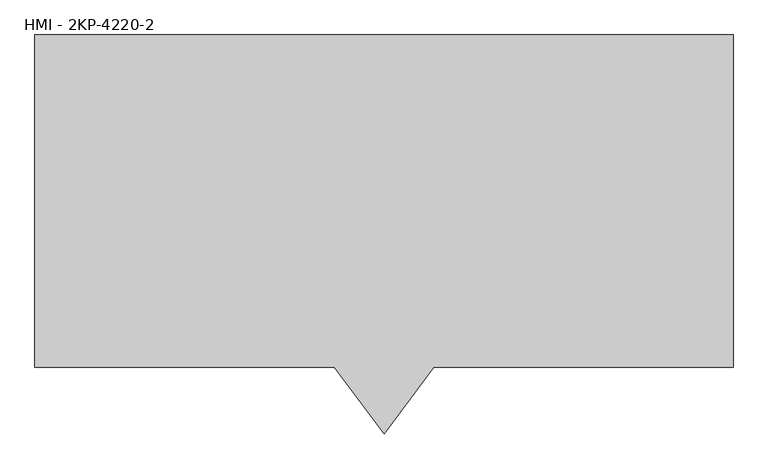
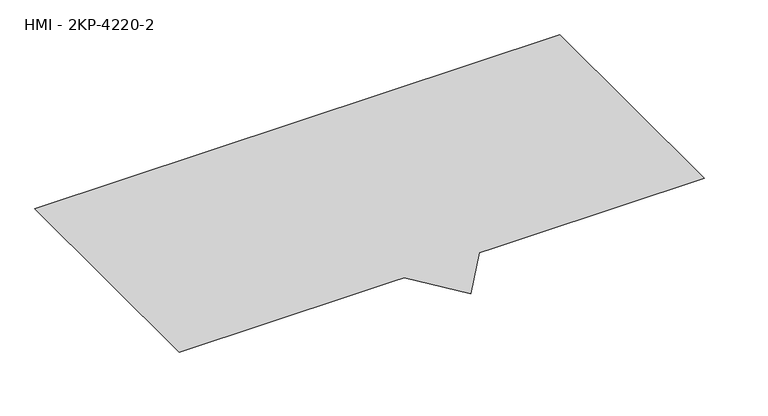
"""IFC4 building model written with IfcOpenShell, lengths in millimetres: furniture geometry, HMI - 2KP-4220-2."""

from ifc_helpers import new_model, si_unit, origin, place, context, project, spatial, triangles, source, transform, mapped, element, save


def hmi_2kp_4220_2_19167216(model_context):
    return source(origin(), model_context, "Body", "Tessellation", [
        triangles([(1066.8, -507.9999879, 0.0), (0.0, -507.9999879, 0.0), (0.0, 0.0, 0.0), (1066.8, 0.0, 0.0), (609.6, -507.9999879, 0.0), (533.4, -609.6, 0.0), (457.2, -507.9999879, 0.0)], [[1, 2, 3], [1, 3, 4], [5, 6, 7]], closed=False),
    ])


if __name__ == "__main__":
    model = new_model("IFC4")
    model_context = context("Model", 3, world=origin())
    ifc_project = project(units=[si_unit("LENGTHUNIT", "METRE", prefix="MILLI")], contexts=[model_context])
    site = spatial("IfcSite", under=ifc_project)
    building = spatial("IfcBuilding", under=site)
    placement = place(None, origin())
    hmi_2kp_4220_2_shape = hmi_2kp_4220_2_19167216(model_context)
    element("IfcFurniture", 1, ObjectType="HMI - 2KP-4220-2", at=placement, inside=building, context=model_context, shape_type="MappedRepresentation", body=[
        mapped(hmi_2kp_4220_2_shape, transform((0.0, 0.0, 0.0), x_axis=(1.0, 0.0, 0.0), y_axis=(0.0, 1.0, 0.0), z_axis=(0.0, 0.0, 1.0))),
    ])
    save(model, "model.ifc")
